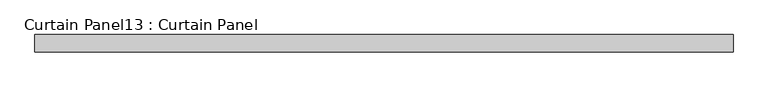
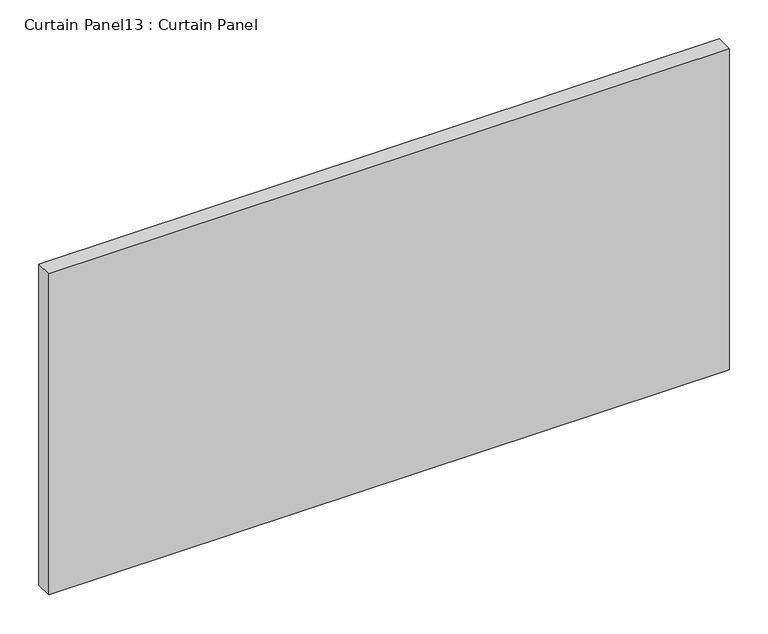
"""IFC4 building model written with IfcOpenShell, lengths in millimetres: plate geometry, Curtain Panel13 : Curtain Panel."""

from ifc_helpers import new_model, si_unit, frame, origin, place, context, project, spatial, polyline, outline, extrude, source, transform, mapped, element, save


def curtain_panel13_curtain_panel_4a08e29c(model_context):
    return source(origin(), model_context, "Body", "SweptSolid", [
        extrude(outline(polyline([(1424.4627701, 3568.3617926), (412.4330043, 3568.3617926), (412.4330043, 3593.7617926), (1424.4627701, 3593.7617926), (1424.4627701, 3568.3617926)])), frame((0.0, 0.0, 2020.9421238), z_axis=(0.0, 0.0, 1.0), x_axis=(1.0, 0.0, 0.0)), (0.0, 0.0, 1.0), 504.6592512),
    ])


if __name__ == "__main__":
    model = new_model("IFC4")
    model_context = context("Model", 3, world=origin())
    ifc_project = project(units=[si_unit("LENGTHUNIT", "METRE", prefix="MILLI")], contexts=[model_context])
    site = spatial("IfcSite", under=ifc_project)
    building = spatial("IfcBuilding", under=site)
    placement = place(None, origin())
    curtain_panel13_curtain_panel_shape = curtain_panel13_curtain_panel_4a08e29c(model_context)
    element("IfcPlate", 1, ObjectType="Curtain Panel13 : Curtain Panel", at=placement, inside=building, context=model_context, shape_type="MappedRepresentation", body=[
        mapped(curtain_panel13_curtain_panel_shape, transform((0.0, 0.0, 0.0), x_axis=(1.0, 0.0, 0.0), y_axis=(0.0, 1.0, 0.0), z_axis=(0.0, 0.0, 1.0))),
    ])
    save(model, "model.ifc")
